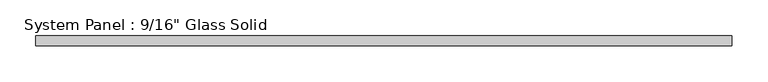
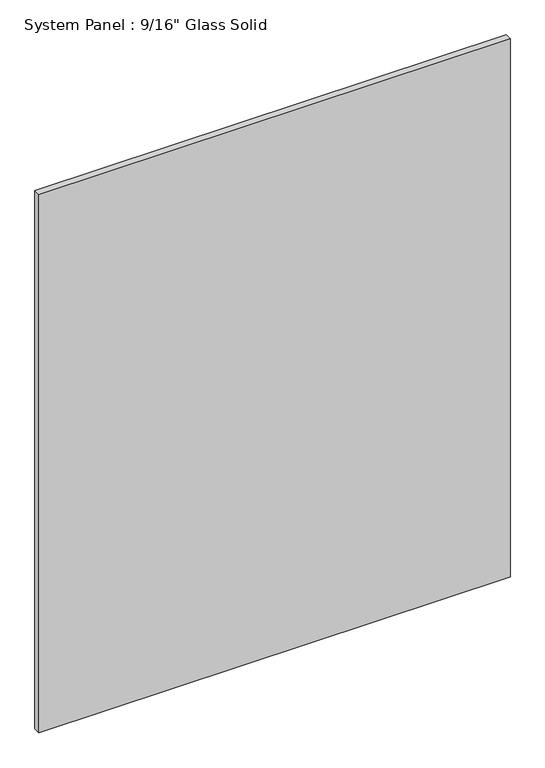
"""IFC4 building model written with IfcOpenShell, lengths in millimetres: plate geometry."""

from ifc_helpers import new_model, si_unit, origin, origin_with_axes, place, context, project, spatial, polyline, outline, extrude, source, transform, mapped, element, save


def plate_d653ec06(model_context):
    return source(origin(), model_context, "Body", "SweptSolid", [
        extrude(outline(polyline([(488.9508852, -7.14375), (-488.9508852, -7.14375), (-488.9508852, 7.14375), (488.9508852, 7.14375), (488.9508852, -7.14375)])), origin_with_axes(), (0.0, 0.0, 1.0), 1181.1017704),
    ])


if __name__ == "__main__":
    model = new_model("IFC4")
    model_context = context("Model", 3, world=origin())
    ifc_project = project(units=[si_unit("LENGTHUNIT", "METRE", prefix="MILLI")], contexts=[model_context])
    site = spatial("IfcSite", under=ifc_project)
    building = spatial("IfcBuilding", under=site)
    placement = place(None, origin())
    plate_shape = plate_d653ec06(model_context)
    element("IfcPlate", 1, ObjectType="System Panel : 9/16\" Glass Solid", at=placement, inside=building, context=model_context, shape_type="MappedRepresentation", body=[
        mapped(plate_shape, transform((0.0, 0.0, 0.0), x_axis=(1.0, 0.0, 0.0), y_axis=(0.0, 1.0, 0.0), z_axis=(0.0, 0.0, 1.0))),
    ])
    save(model, "model.ifc")
